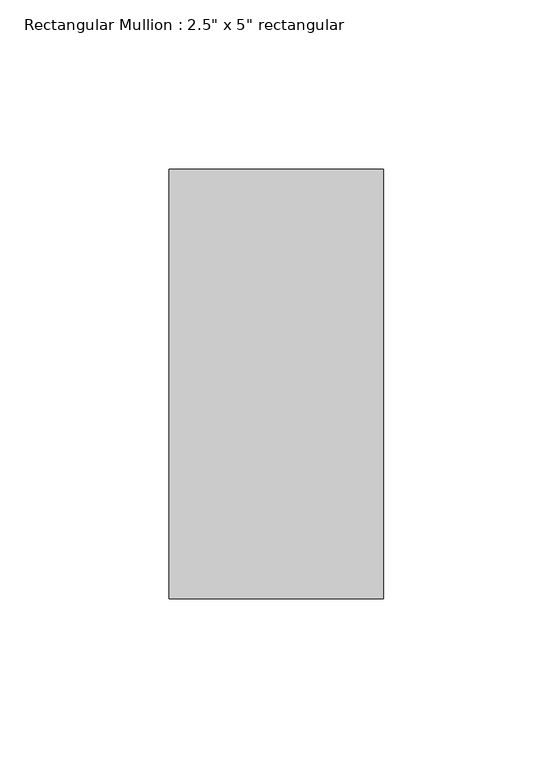
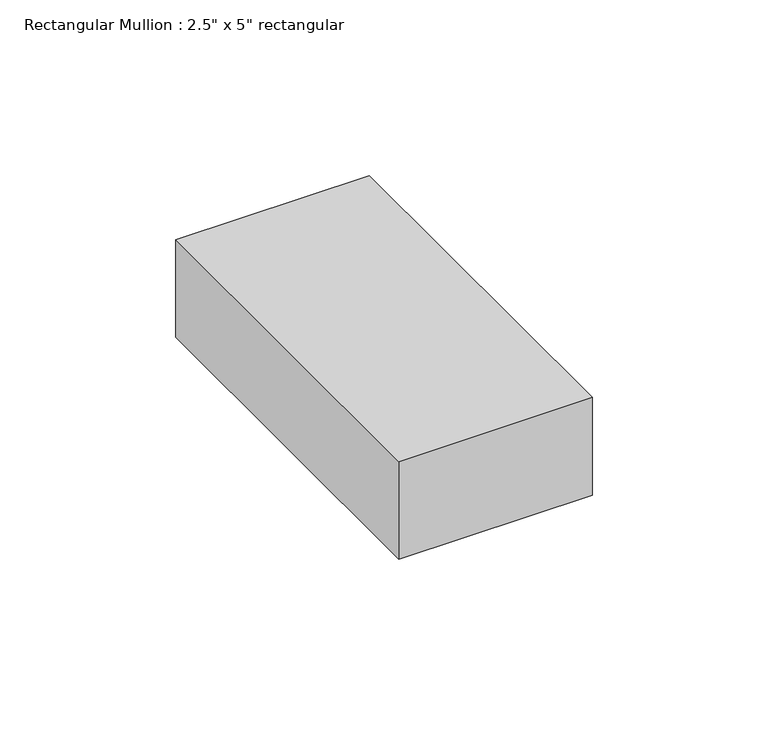
"""IFC4 building model written with IfcOpenShell, lengths in millimetres: member geometry."""

from ifc_helpers import new_model, si_unit, frame, origin, place, context, project, spatial, polyline, outline, extrude, source, transform, mapped, element, save


def member_495a21e7(model_context):
    return source(origin(), model_context, "Body", "SweptSolid", [
        extrude(outline(polyline([(0.0, 63.5), (0.0, -63.5), (-63.5, -63.5), (-63.5, 63.5), (0.0, 63.5)])), frame((0.0, 0.0, -33.8666667), z_axis=(0.0, 0.0, 1.0), x_axis=(1.0, 0.0, 0.0)), (0.0, 0.0, 1.0), 33.8666667),
    ])


if __name__ == "__main__":
    model = new_model("IFC4")
    model_context = context("Model", 3, world=origin())
    ifc_project = project(units=[si_unit("LENGTHUNIT", "METRE", prefix="MILLI")], contexts=[model_context])
    site = spatial("IfcSite", under=ifc_project)
    building = spatial("IfcBuilding", under=site)
    placement = place(None, origin())
    member_shape = member_495a21e7(model_context)
    element("IfcMember", 1, ObjectType="Rectangular Mullion : 2.5\" x 5\" rectangular", at=placement, inside=building, context=model_context, shape_type="MappedRepresentation", body=[
        mapped(member_shape, transform((0.0, 0.0, 0.0), x_axis=(1.0, 0.0, 0.0), y_axis=(0.0, 1.0, 0.0), z_axis=(0.0, 0.0, 1.0))),
    ])
    save(model, "model.ifc")
